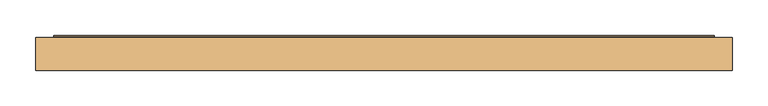
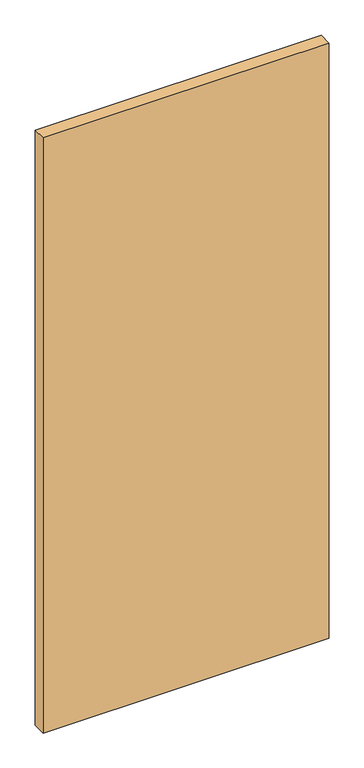
"""IFC4 building model written with IfcOpenShell, lengths in millimetres: door geometry."""

import ifcopenshell
import ifcopenshell.guid

model = None  # the IFC model being written
_history = None  # IfcOwnerHistory: only IFC2X3 demands one
_inside = {}  # id of a spatial element -> (the spatial element, [elements in it])
_under = {}  # id of a project, library or spatial element -> (it, [spatial elements below it])
_declared = {}  # id of a project -> (the project, [libraries it declares])
_typed = {}  # id of a type object -> (the type object, [elements of that type])
_made_of = {}  # id of a material, layer set ... -> (it, [elements and type objects made of it])


def new_model(schema):
    """Start an empty IFC model of exactly this schema.

    Asked for "IFC4X3", IfcOpenShell would pick the latest addendum, in which some entities
    have other attributes; the version numbers below select the first issue.
    IFC2X3 requires an IfcOwnerHistory on every rooted entity: one is made here for all.
    """
    global model, _history
    if schema == "IFC4X3":
        model = ifcopenshell.file(schema_version=(4, 3, 0, 0))
    else:
        model = ifcopenshell.file(schema=schema)
    _inside.clear()
    _under.clear()
    _declared.clear()
    _typed.clear()
    _made_of.clear()
    _history = None
    if model.schema == "IFC2X3":
        org = make("IfcOrganization", Name="unknown")
        user = make(
            "IfcPersonAndOrganization",
            ThePerson=make("IfcPerson", FamilyName="unknown"),
            TheOrganization=org,
        )
        app = make(
            "IfcApplication",
            ApplicationDeveloper=org,
            Version="unknown",
            ApplicationFullName="unknown",
            ApplicationIdentifier="unknown",
        )
        _history = make(
            "IfcOwnerHistory",
            OwningUser=user,
            OwningApplication=app,
            ChangeAction="ADDED",
            CreationDate=0,
        )
    return model


def make(cls, **values):
    """One entity of the class cls with the attributes given. An attribute that is None is left unset."""
    return model.create_entity(
        cls, **{name: value for name, value in values.items() if value is not None}
    )


def rooted(cls, **values):
    """An entity with a GlobalId (a new one), such as an element, a storey or a relation."""
    return make(cls, GlobalId=ifcopenshell.guid.new(), OwnerHistory=_history, **values)


def si_unit(unit_type, name, prefix=None):
    """IfcSIUnit, for example si_unit("LENGTHUNIT", "METRE", prefix="MILLI")."""
    return make("IfcSIUnit", UnitType=unit_type, Prefix=prefix, Name=name)


def assignment(units):
    """IfcUnitAssignment: the units of a project."""
    return None if units is None else make("IfcUnitAssignment", Units=units)


def point(xyz):
    """IfcCartesianPoint."""
    return None if xyz is None else make("IfcCartesianPoint", Coordinates=xyz)


def direction(xyz):
    """IfcDirection."""
    return None if xyz is None else make("IfcDirection", DirectionRatios=xyz)


def frame(location, z_axis=None, x_axis=None):
    """IfcAxis2Placement3D, a coordinate frame: its origin and axes. An axis left out is left unset."""
    return make(
        "IfcAxis2Placement3D",
        Location=point(location),
        Axis=direction(z_axis),
        RefDirection=direction(x_axis),
    )


def origin():
    """The frame at (0, 0, 0) with its axes left unset."""
    return frame((0.0, 0.0, 0.0))


def place(relative_to, where):
    """IfcLocalPlacement: puts the frame where relative to a parent placement (None: the world)."""
    return make(
        "IfcLocalPlacement", PlacementRelTo=relative_to, RelativePlacement=where
    )


def context(
    kind, dimensions, precision=None, world=None, true_north=None, identifier=None
):
    """IfcGeometricRepresentationContext, for example the 3D "Model" context."""
    return make(
        "IfcGeometricRepresentationContext",
        ContextIdentifier=identifier,
        ContextType=kind,
        CoordinateSpaceDimension=dimensions,
        Precision=precision,
        WorldCoordinateSystem=world,
        TrueNorth=true_north,
    )


def project(units=None, contexts=None):
    """IfcProject with its units and contexts."""
    return rooted(
        "IfcProject",
        Name="project",
        RepresentationContexts=contexts,
        UnitsInContext=assignment(units),
    )


def spatial(cls, under=None, at=None, **own):
    """A site, building, storey or space (cls), placed at a placement, below another one or the project."""
    s = rooted(cls, ObjectPlacement=at, **own)
    if under is not None:
        _under.setdefault(under.id(), (under, []))[1].append(s)
    return s


def polyline(points):
    """IfcPolyline through the points."""
    return make("IfcPolyline", Points=[point(p) for p in points])


def outline(outer, holes=None, kind="AREA"):
    """IfcArbitraryClosedProfileDef: a profile drawn as a closed curve; with holes, ...WithVoids."""
    if holes is None:
        return make("IfcArbitraryClosedProfileDef", ProfileType=kind, OuterCurve=outer)
    return make(
        "IfcArbitraryProfileDefWithVoids",
        ProfileType=kind,
        OuterCurve=outer,
        InnerCurves=holes,
    )


def extrude(swept, where, along, depth):
    """IfcExtrudedAreaSolid: the profile swept, set in the frame where, extruded along a direction by depth."""
    return make(
        "IfcExtrudedAreaSolid",
        SweptArea=swept,
        Position=where,
        ExtrudedDirection=direction(along),
        Depth=depth,
    )


def shape(context_of_items, identifier, shape_type, items):
    """IfcShapeRepresentation: the items that make up one representation, for example the "Body"."""
    return make(
        "IfcShapeRepresentation",
        ContextOfItems=context_of_items,
        RepresentationIdentifier=identifier,
        RepresentationType=shape_type,
        Items=items,
    )


def source(mapping_origin, context_of_items, identifier, shape_type, items):
    """IfcRepresentationMap: a shape defined once, which mapped items show again and again."""
    return make(
        "IfcRepresentationMap",
        MappingOrigin=mapping_origin,
        MappedRepresentation=shape(context_of_items, identifier, shape_type, items),
    )


def transform(
    local_origin,
    x_axis=None,
    y_axis=None,
    z_axis=None,
    scale=None,
    scale2=None,
    scale3=None,
    uniform=True,
):
    """IfcCartesianTransformationOperator3D, or its non-uniform kind. x_axis, y_axis, z_axis: its Axis1, 2, 3."""
    if uniform:
        return make(
            "IfcCartesianTransformationOperator3D",
            Axis1=direction(x_axis),
            Axis2=direction(y_axis),
            LocalOrigin=point(local_origin),
            Scale=scale,
            Axis3=direction(z_axis),
        )
    return make(
        "IfcCartesianTransformationOperator3DnonUniform",
        Axis1=direction(x_axis),
        Axis2=direction(y_axis),
        LocalOrigin=point(local_origin),
        Scale=scale,
        Axis3=direction(z_axis),
        Scale2=scale2,
        Scale3=scale3,
    )


def mapped(mapping_source, mapping_target):
    """IfcMappedItem: shows the shape of a source again, moved by a transform."""
    return make(
        "IfcMappedItem", MappingSource=mapping_source, MappingTarget=mapping_target
    )


def made_of(thing, what):
    """Note that an element or type object is made of a material, layer set ...; save() writes the relation."""
    if what is not None:
        _made_of.setdefault(what.id(), (what, []))[1].append(thing)
    return thing


def element(
    cls,
    number,
    at=None,
    inside=None,
    cuts=None,
    type_object=None,
    material=None,
    context=None,
    identifier="Body",
    shape_type=None,
    held_by="IfcProductDefinitionShape",
    body=None,
    shapes=None,
    **own,
):
    """One element of the class cls, such as IfcWall. Its Tag is "e" and its number.

    at: its placement. inside: the storey or other place that contains it. cuts: it is an
    opening in that element (IfcRelVoidsElement). A single representation is given by context,
    identifier, shape_type and body (its items); several are given by shapes. held_by: the class
    of the entity that holds the representations. save() writes the other relations.
    """
    e = rooted(cls, Tag="e%d" % number, ObjectPlacement=at, **own)
    if body is not None:
        shapes = [shape(context, identifier, shape_type, body)]
    if shapes is not None:
        e.Representation = make(held_by, Representations=shapes)
    if inside is not None:
        _inside.setdefault(inside.id(), (inside, []))[1].append(e)
    if cuts is not None:
        rooted(
            "IfcRelVoidsElement", RelatingBuildingElement=cuts, RelatedOpeningElement=e
        )
    if type_object is not None:
        _typed.setdefault(type_object.id(), (type_object, []))[1].append(e)
    return made_of(e, material)


def aggregate(whole, parts):
    """IfcRelAggregates: a whole, such as a stair, and the parts it consists of."""
    return rooted("IfcRelAggregates", RelatingObject=whole, RelatedObjects=parts)


def save(model, path):
    """Write the relations noted so far, then the file.

    IfcRelAggregates (storeys below a building ...), IfcRelContainedInSpatialStructure (elements
    in a storey), IfcRelDefinesByType, IfcRelAssociatesMaterial and IfcRelDeclares: one each for
    every whole, place, type object, material and project.
    """
    for whole, parts in _under.values():
        aggregate(whole, parts)
    for where, things in _inside.values():
        rooted(
            "IfcRelContainedInSpatialStructure",
            RelatedElements=things,
            RelatingStructure=where,
        )
    for kind, things in _typed.values():
        rooted("IfcRelDefinesByType", RelatedObjects=things, RelatingType=kind)
    for what, things in _made_of.values():
        rooted("IfcRelAssociatesMaterial", RelatedObjects=things, RelatingMaterial=what)
    for by, libraries in _declared.values():
        rooted("IfcRelDeclares", RelatingContext=by, RelatedDefinitions=libraries)
    model.write(path)


def door_6888feef(model_context):
    return source(origin(), model_context, "Body", "SweptSolid", [
        extrude(outline(polyline([(490.4564326, -23.114), (-490.4564326, -23.114), (-490.4564326, 23.114), (490.4564326, 23.114), (490.4564326, -23.114)])), frame((0.0, 0.0, 12.7), z_axis=(0.0, 0.0, 1.0), x_axis=(1.0, 0.0, 0.0)), (0.0, 0.0, 1.0), 2157.4635027),
        extrude(outline(polyline([(465.0564326, 9.8925062), (-465.0564326, 9.8925062), (-465.0564326, 11.4927062), (465.0564326, 11.4927062), (465.0564326, 9.8925062)])), frame((0.0, 0.0, 12.7), z_axis=(0.0, 0.0, 1.0), x_axis=(1.0, 0.0, 0.0)), (0.0, 0.0, 1.0), 254.0),
        extrude(outline(polyline([(465.0564326, 24.6888), (-465.0564326, 24.6888), (-465.0564326, 26.289), (465.0564326, 26.289), (465.0564326, 24.6888)])), frame((0.0, 0.0, 12.7), z_axis=(0.0, 0.0, 1.0), x_axis=(1.0, 0.0, 0.0)), (0.0, 0.0, 1.0), 254.0),
    ])


if __name__ == "__main__":
    model = new_model("IFC4")
    model_context = context("Model", 3, world=origin())
    ifc_project = project(units=[si_unit("LENGTHUNIT", "METRE", prefix="MILLI")], contexts=[model_context])
    site = spatial("IfcSite", under=ifc_project)
    building = spatial("IfcBuilding", under=site)
    placement = place(None, origin())
    door_shape = door_6888feef(model_context)
    element("IfcDoor", 1, at=placement, inside=building, context=model_context, shape_type="MappedRepresentation", body=[
        mapped(door_shape, transform((0.0, 0.0, 0.0), x_axis=(1.0, 0.0, 0.0), y_axis=(0.0, 1.0, 0.0), z_axis=(0.0, 0.0, 1.0))),
    ])
    save(model, "model.ifc")
